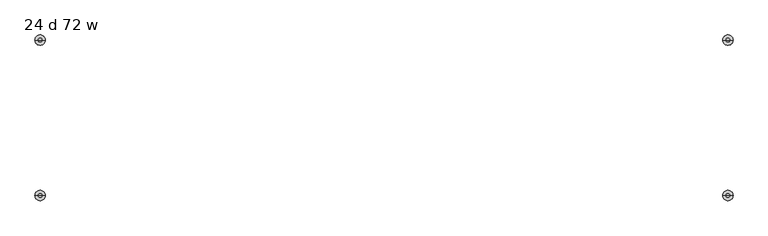
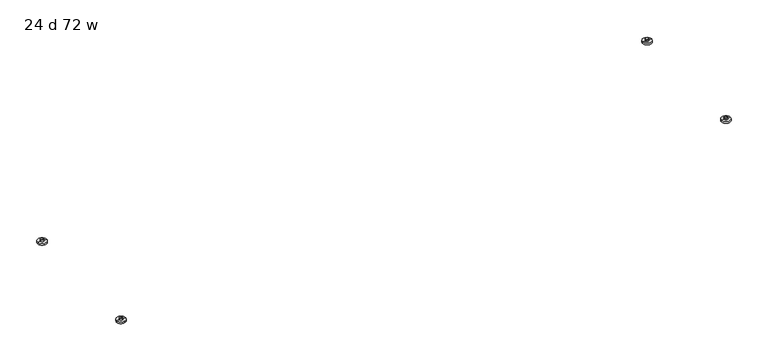
"""IFC4 building model written with IfcOpenShell, lengths in millimetres: furniture geometry, 24 d 72 w."""

from ifc_helpers import new_model, si_unit, point, frame, origin, place, context, project, spatial, circle_curve, ellipse_curve, trimmed, source, transform, mapped, element, save
from ifc_brep_helpers import plane_surface, cylinder_surface, revolved_surface, advanced_brep


def furniture_24_d_72_w_0afc2b9b(model_context):
    return source(origin(), model_context, "Body", "AdvancedBrep", [
        advanced_brep(
        [(-843.7322731, -191.2439953, 0.0), (-848.8112333, -191.2439953, 0.0), (-846.2717532, -191.2439953, 0.0), (-833.574498, -191.2439953, 3.6684262), (-858.9690084, -191.2439953, 3.6684262), (-833.574498, -191.2439953, 7.8731999), (-858.9690084, -191.2439953, 7.8731999), (-841.5120222, -191.2439953, 7.8731999), (-851.0314842, -191.2439953, 7.8731999), (-841.5120222, -191.2439953, 12.2237497), (-851.0314842, -191.2439953, 12.2237497), (-846.2717532, -191.2439953, 12.2237497)],
        [
            (0, 1, circle_curve(frame((-846.2717532, -191.2439953, 0.0), z_axis=(0.0, 0.0, -1.0), x_axis=(-1.0, 0.0, 0.0)), 2.5394801)),
            (1, 2),
            (2, 0),
            (1, 0, circle_curve(frame((-846.2717532, -191.2439953, 0.0), z_axis=(0.0, 0.0, -1.0), x_axis=(-1.0, 0.0, 0.0)), 2.5394801)),
            (0, 3, circle_curve(frame((-843.7322731, -191.2439953, 15.8975186), z_axis=(0.0, -1.0, 0.0), x_axis=(1.0, 0.0, 0.0)), 15.8975186)),
            (3, 4, circle_curve(frame((-846.2717532, -191.2439953, 3.6684262), z_axis=(0.0, 0.0, -1.0), x_axis=(-1.0, 0.0, 0.0)), 12.6972552)),
            (4, 1, circle_curve(frame((-848.8112333, -191.2439953, 15.8975186), z_axis=(0.0, -1.0, 0.0), x_axis=(-1.0, 0.0, 0.0)), 15.8975186)),
            (4, 3, circle_curve(frame((-846.2717532, -191.2439953, 3.6684262), z_axis=(0.0, 0.0, -1.0), x_axis=(-1.0, 0.0, 0.0)), 12.6972552)),
            (3, 5),
            (5, 6, circle_curve(frame((-846.2717532, -191.2439953, 7.8731999), z_axis=(0.0, 0.0, -1.0), x_axis=(-1.0, 0.0, 0.0)), 12.6972552)),
            (6, 4),
            (6, 5, circle_curve(frame((-846.2717532, -191.2439953, 7.8731999), z_axis=(0.0, 0.0, -1.0), x_axis=(-1.0, 0.0, 0.0)), 12.6972552)),
            (5, 7),
            (7, 8, circle_curve(frame((-846.2717532, -191.2439953, 7.8731999), z_axis=(0.0, 0.0, -1.0), x_axis=(-1.0, 0.0, 0.0)), 4.759731)),
            (8, 6),
            (8, 7, circle_curve(frame((-846.2717532, -191.2439953, 7.8731999), z_axis=(0.0, 0.0, -1.0), x_axis=(-1.0, 0.0, 0.0)), 4.759731)),
            (7, 9),
            (9, 10, circle_curve(frame((-846.2717532, -191.2439953, 12.2237497), z_axis=(0.0, 0.0, -1.0), x_axis=(-1.0, 0.0, 0.0)), 4.759731)),
            (10, 8),
            (10, 9, circle_curve(frame((-846.2717532, -191.2439953, 12.2237497), z_axis=(0.0, 0.0, -1.0), x_axis=(-1.0, 0.0, 0.0)), 4.759731)),
            (9, 11),
            (11, 10),
        ],
        [
            plane_surface(frame((-846.2717532, -191.2439953, 0.0), z_axis=(0.0, 0.0, -1.0), x_axis=(-1.0, 0.0, 0.0))),
            revolved_surface(trimmed(ellipse_curve(frame((-848.8112333, -191.2439953, 15.8975186), z_axis=(0.0, 1.0, 0.0), x_axis=(-1.0, 0.0, 0.0)), 15.8975186, 15.8975186), [point((-848.8112333, -191.2439953, 0.0))], [point((-858.9690084, -191.2439953, 3.6684262))], True, "CARTESIAN"), (-846.2717532, -191.2439953, 12.2237497), (0.0, 0.0, 1.0)),
            cylinder_surface(frame((-846.2717532, -191.2439953, 12.2237497), z_axis=(0.0, 0.0, 1.0), x_axis=(-1.0, 0.0, 0.0)), 12.6972552),
            plane_surface(frame((-846.2717532, -191.2439953, 7.8731999), z_axis=(0.0, 0.0, 1.0), x_axis=(-1.0, 0.0, 0.0))),
            cylinder_surface(frame((-846.2717532, -191.2439953, 12.2237497), z_axis=(0.0, 0.0, 1.0), x_axis=(-1.0, 0.0, 0.0)), 4.759731),
            plane_surface(frame((-846.2717532, -191.2439953, 12.2237497), z_axis=(0.0, 0.0, 1.0), x_axis=(-1.0, 0.0, 0.0))),
        ],
        [
            (0, [[1, 2, 3]]),
            (0, [[-2, 4, -3]]),
            (1, [[-1, 5, 6, 7]]),
            (1, [[-4, -7, 8, -5]]),
            (2, [[-6, 9, 10, 11]]),
            (2, [[-8, -11, 12, -9]]),
            (3, [[-10, 13, 14, 15]]),
            (3, [[-12, -15, 16, -13]]),
            (4, [[-14, 17, 18, 19]]),
            (4, [[-16, -19, 20, -17]]),
            (5, [[-18, 21, 22]]),
            (5, [[-20, -22, -21]]),
        ],
    ),
        advanced_brep(
        [(-846.2717532, 191.2439953, 0.0), (-848.8112333, 191.2439953, 0.0), (-843.7322731, 191.2439953, 0.0), (-858.9690084, 191.2439953, 3.6684262), (-833.574498, 191.2439953, 3.6684262), (-858.9690084, 191.2439953, 7.8731999), (-833.574498, 191.2439953, 7.8731999), (-851.0314842, 191.2439953, 7.8731999), (-841.5120222, 191.2439953, 7.8731999), (-851.0314842, 191.2439953, 12.2237497), (-841.5120222, 191.2439953, 12.2237497), (-846.2717532, 191.2439953, 12.2237497)],
        [
            (0, 1),
            (1, 2, circle_curve(frame((-846.2717532, 191.2439953, 0.0), z_axis=(0.0, 0.0, -1.0), x_axis=(-1.0, 0.0, 0.0)), 2.5394801)),
            (2, 0),
            (2, 1, circle_curve(frame((-846.2717532, 191.2439953, 0.0), z_axis=(0.0, 0.0, -1.0), x_axis=(-1.0, 0.0, 0.0)), 2.5394801)),
            (1, 3, circle_curve(frame((-848.8112333, 191.2439953, 15.8975186), z_axis=(0.0, 1.0, 0.0), x_axis=(-1.0, 0.0, 0.0)), 15.8975186)),
            (3, 4, circle_curve(frame((-846.2717532, 191.2439953, 3.6684262), z_axis=(0.0, 0.0, -1.0), x_axis=(-1.0, 0.0, 0.0)), 12.6972552)),
            (4, 2, circle_curve(frame((-843.7322731, 191.2439953, 15.8975186), z_axis=(0.0, 1.0, 0.0), x_axis=(1.0, 0.0, 0.0)), 15.8975186)),
            (4, 3, circle_curve(frame((-846.2717532, 191.2439953, 3.6684262), z_axis=(0.0, 0.0, -1.0), x_axis=(-1.0, 0.0, 0.0)), 12.6972552)),
            (3, 5),
            (5, 6, circle_curve(frame((-846.2717532, 191.2439953, 7.8731999), z_axis=(0.0, 0.0, -1.0), x_axis=(-1.0, 0.0, 0.0)), 12.6972552)),
            (6, 4),
            (6, 5, circle_curve(frame((-846.2717532, 191.2439953, 7.8731999), z_axis=(0.0, 0.0, -1.0), x_axis=(-1.0, 0.0, 0.0)), 12.6972552)),
            (5, 7),
            (7, 8, circle_curve(frame((-846.2717532, 191.2439953, 7.8731999), z_axis=(0.0, 0.0, -1.0), x_axis=(-1.0, 0.0, 0.0)), 4.759731)),
            (8, 6),
            (8, 7, circle_curve(frame((-846.2717532, 191.2439953, 7.8731999), z_axis=(0.0, 0.0, -1.0), x_axis=(-1.0, 0.0, 0.0)), 4.759731)),
            (7, 9),
            (9, 10, circle_curve(frame((-846.2717532, 191.2439953, 12.2237497), z_axis=(0.0, 0.0, -1.0), x_axis=(-1.0, 0.0, 0.0)), 4.759731)),
            (10, 8),
            (10, 9, circle_curve(frame((-846.2717532, 191.2439953, 12.2237497), z_axis=(0.0, 0.0, -1.0), x_axis=(-1.0, 0.0, 0.0)), 4.759731)),
            (9, 11),
            (11, 10),
        ],
        [
            plane_surface(frame((-846.2717532, 191.2439953, 0.0), z_axis=(0.0, 0.0, -1.0), x_axis=(-1.0, 0.0, 0.0))),
            revolved_surface(trimmed(ellipse_curve(frame((-848.8112333, 191.2439953, 15.8975186), z_axis=(0.0, -1.0, 0.0), x_axis=(-1.0, 0.0, 0.0)), 15.8975186, 15.8975186), [point((-858.9690084, 191.2439953, 3.6684262))], [point((-848.8112333, 191.2439953, 0.0))], True, "CARTESIAN"), (-846.2717532, 191.2439953, 12.2237497), (0.0, 0.0, -1.0)),
            cylinder_surface(frame((-846.2717532, 191.2439953, 12.2237497), z_axis=(0.0, 0.0, -1.0), x_axis=(-1.0, 0.0, 0.0)), 12.6972552),
            plane_surface(frame((-846.2717532, 191.2439953, 7.8731999), z_axis=(0.0, 0.0, 1.0), x_axis=(-1.0, 0.0, 0.0))),
            cylinder_surface(frame((-846.2717532, 191.2439953, 12.2237497), z_axis=(0.0, 0.0, -1.0), x_axis=(-1.0, 0.0, 0.0)), 4.759731),
            plane_surface(frame((-846.2717532, 191.2439953, 12.2237497), z_axis=(0.0, 0.0, 1.0), x_axis=(-1.0, 0.0, 0.0))),
        ],
        [
            (0, [[1, 2, 3]]),
            (0, [[-1, -3, 4]]),
            (1, [[-2, 5, 6, 7]]),
            (1, [[-4, -7, 8, -5]]),
            (2, [[-6, 9, 10, 11]]),
            (2, [[-8, -11, 12, -9]]),
            (3, [[-10, 13, 14, 15]]),
            (3, [[-12, -15, 16, -13]]),
            (4, [[-14, 17, 18, 19]]),
            (4, [[-16, -19, 20, -17]]),
            (5, [[-18, 21, 22]]),
            (5, [[-20, -22, -21]]),
        ],
    ),
        advanced_brep(
        [(846.2717532, -191.2439953, 0.0), (848.8112333, -191.2439953, 0.0), (843.7322731, -191.2439953, 0.0), (858.9690084, -191.2439953, 3.6684262), (833.574498, -191.2439953, 3.6684262), (858.9690084, -191.2439953, 7.8731999), (833.574498, -191.2439953, 7.8731999), (851.0314842, -191.2439953, 7.8731999), (841.5120222, -191.2439953, 7.8731999), (851.0314842, -191.2439953, 12.2237497), (841.5120222, -191.2439953, 12.2237497), (846.2717532, -191.2439953, 12.2237497)],
        [
            (0, 1),
            (1, 2, circle_curve(frame((846.2717532, -191.2439953, 0.0), z_axis=(0.0, 0.0, -1.0), x_axis=(1.0, 0.0, 0.0)), 2.5394801)),
            (2, 0),
            (2, 1, circle_curve(frame((846.2717532, -191.2439953, 0.0), z_axis=(0.0, 0.0, -1.0), x_axis=(1.0, 0.0, 0.0)), 2.5394801)),
            (1, 3, circle_curve(frame((848.8112333, -191.2439953, 15.8975186), z_axis=(0.0, -1.0, 0.0), x_axis=(-1.0, 0.0, 0.0)), 15.8975186)),
            (3, 4, circle_curve(frame((846.2717532, -191.2439953, 3.6684262), z_axis=(0.0, 0.0, -1.0), x_axis=(1.0, 0.0, 0.0)), 12.6972552)),
            (4, 2, circle_curve(frame((843.7322731, -191.2439953, 15.8975186), z_axis=(0.0, -1.0, 0.0), x_axis=(1.0, 0.0, 0.0)), 15.8975186)),
            (4, 3, circle_curve(frame((846.2717532, -191.2439953, 3.6684262), z_axis=(0.0, 0.0, -1.0), x_axis=(1.0, 0.0, 0.0)), 12.6972552)),
            (3, 5),
            (5, 6, circle_curve(frame((846.2717532, -191.2439953, 7.8731999), z_axis=(0.0, 0.0, -1.0), x_axis=(1.0, 0.0, 0.0)), 12.6972552)),
            (6, 4),
            (6, 5, circle_curve(frame((846.2717532, -191.2439953, 7.8731999), z_axis=(0.0, 0.0, -1.0), x_axis=(1.0, 0.0, 0.0)), 12.6972552)),
            (5, 7),
            (7, 8, circle_curve(frame((846.2717532, -191.2439953, 7.8731999), z_axis=(0.0, 0.0, -1.0), x_axis=(1.0, 0.0, 0.0)), 4.759731)),
            (8, 6),
            (8, 7, circle_curve(frame((846.2717532, -191.2439953, 7.8731999), z_axis=(0.0, 0.0, -1.0), x_axis=(1.0, 0.0, 0.0)), 4.759731)),
            (7, 9),
            (9, 10, circle_curve(frame((846.2717532, -191.2439953, 12.2237497), z_axis=(0.0, 0.0, -1.0), x_axis=(1.0, 0.0, 0.0)), 4.759731)),
            (10, 8),
            (10, 9, circle_curve(frame((846.2717532, -191.2439953, 12.2237497), z_axis=(0.0, 0.0, -1.0), x_axis=(1.0, 0.0, 0.0)), 4.759731)),
            (9, 11),
            (11, 10),
        ],
        [
            plane_surface(frame((846.2717532, -191.2439953, 0.0), z_axis=(0.0, 0.0, -1.0), x_axis=(1.0, 0.0, 0.0))),
            revolved_surface(trimmed(ellipse_curve(frame((848.8112333, -191.2439953, 15.8975186), z_axis=(0.0, 1.0, 0.0), x_axis=(-1.0, 0.0, 0.0)), 15.8975186, 15.8975186), [point((858.9690084, -191.2439953, 3.6684262))], [point((848.8112333, -191.2439953, 0.0))], True, "CARTESIAN"), (846.2717532, -191.2439953, 12.2237497), (0.0, 0.0, -1.0)),
            cylinder_surface(frame((846.2717532, -191.2439953, 12.2237497), z_axis=(0.0, 0.0, -1.0), x_axis=(1.0, 0.0, 0.0)), 12.6972552),
            plane_surface(frame((846.2717532, -191.2439953, 7.8731999), z_axis=(0.0, 0.0, 1.0), x_axis=(1.0, 0.0, 0.0))),
            cylinder_surface(frame((846.2717532, -191.2439953, 12.2237497), z_axis=(0.0, 0.0, -1.0), x_axis=(1.0, 0.0, 0.0)), 4.759731),
            plane_surface(frame((846.2717532, -191.2439953, 12.2237497), z_axis=(0.0, 0.0, 1.0), x_axis=(1.0, 0.0, 0.0))),
        ],
        [
            (0, [[1, 2, 3]]),
            (0, [[-1, -3, 4]]),
            (1, [[-2, 5, 6, 7]]),
            (1, [[-4, -7, 8, -5]]),
            (2, [[-6, 9, 10, 11]]),
            (2, [[-8, -11, 12, -9]]),
            (3, [[-10, 13, 14, 15]]),
            (3, [[-12, -15, 16, -13]]),
            (4, [[-14, 17, 18, 19]]),
            (4, [[-16, -19, 20, -17]]),
            (5, [[-18, 21, 22]]),
            (5, [[-20, -22, -21]]),
        ],
    ),
        advanced_brep(
        [(843.7322731, 191.2439953, 0.0), (848.8112333, 191.2439953, 0.0), (846.2717532, 191.2439953, 0.0), (833.574498, 191.2439953, 3.6684262), (858.9690084, 191.2439953, 3.6684262), (833.574498, 191.2439953, 7.8731999), (858.9690084, 191.2439953, 7.8731999), (841.5120222, 191.2439953, 7.8731999), (851.0314842, 191.2439953, 7.8731999), (841.5120222, 191.2439953, 12.2237497), (851.0314842, 191.2439953, 12.2237497), (846.2717532, 191.2439953, 12.2237497)],
        [
            (0, 1, circle_curve(frame((846.2717532, 191.2439953, 0.0), z_axis=(0.0, 0.0, -1.0), x_axis=(1.0, 0.0, 0.0)), 2.5394801)),
            (1, 2),
            (2, 0),
            (1, 0, circle_curve(frame((846.2717532, 191.2439953, 0.0), z_axis=(0.0, 0.0, -1.0), x_axis=(1.0, 0.0, 0.0)), 2.5394801)),
            (0, 3, circle_curve(frame((843.7322731, 191.2439953, 15.8975186), z_axis=(0.0, 1.0, 0.0), x_axis=(1.0, 0.0, 0.0)), 15.8975186)),
            (3, 4, circle_curve(frame((846.2717532, 191.2439953, 3.6684262), z_axis=(0.0, 0.0, -1.0), x_axis=(1.0, 0.0, 0.0)), 12.6972552)),
            (4, 1, circle_curve(frame((848.8112333, 191.2439953, 15.8975186), z_axis=(0.0, 1.0, 0.0), x_axis=(-1.0, 0.0, 0.0)), 15.8975186)),
            (4, 3, circle_curve(frame((846.2717532, 191.2439953, 3.6684262), z_axis=(0.0, 0.0, -1.0), x_axis=(1.0, 0.0, 0.0)), 12.6972552)),
            (3, 5),
            (5, 6, circle_curve(frame((846.2717532, 191.2439953, 7.8731999), z_axis=(0.0, 0.0, -1.0), x_axis=(1.0, 0.0, 0.0)), 12.6972552)),
            (6, 4),
            (6, 5, circle_curve(frame((846.2717532, 191.2439953, 7.8731999), z_axis=(0.0, 0.0, -1.0), x_axis=(1.0, 0.0, 0.0)), 12.6972552)),
            (5, 7),
            (7, 8, circle_curve(frame((846.2717532, 191.2439953, 7.8731999), z_axis=(0.0, 0.0, -1.0), x_axis=(1.0, 0.0, 0.0)), 4.759731)),
            (8, 6),
            (8, 7, circle_curve(frame((846.2717532, 191.2439953, 7.8731999), z_axis=(0.0, 0.0, -1.0), x_axis=(1.0, 0.0, 0.0)), 4.759731)),
            (7, 9),
            (9, 10, circle_curve(frame((846.2717532, 191.2439953, 12.2237497), z_axis=(0.0, 0.0, -1.0), x_axis=(1.0, 0.0, 0.0)), 4.759731)),
            (10, 8),
            (10, 9, circle_curve(frame((846.2717532, 191.2439953, 12.2237497), z_axis=(0.0, 0.0, -1.0), x_axis=(1.0, 0.0, 0.0)), 4.759731)),
            (9, 11),
            (11, 10),
        ],
        [
            plane_surface(frame((846.2717532, 191.2439953, 0.0), z_axis=(0.0, 0.0, -1.0), x_axis=(1.0, 0.0, 0.0))),
            revolved_surface(trimmed(ellipse_curve(frame((848.8112333, 191.2439953, 15.8975186), z_axis=(0.0, -1.0, 0.0), x_axis=(-1.0, 0.0, 0.0)), 15.8975186, 15.8975186), [point((848.8112333, 191.2439953, 0.0))], [point((858.9690084, 191.2439953, 3.6684262))], True, "CARTESIAN"), (846.2717532, 191.2439953, 12.2237497), (0.0, 0.0, 1.0)),
            cylinder_surface(frame((846.2717532, 191.2439953, 12.2237497), z_axis=(0.0, 0.0, 1.0), x_axis=(1.0, 0.0, 0.0)), 12.6972552),
            plane_surface(frame((846.2717532, 191.2439953, 7.8731999), z_axis=(0.0, 0.0, 1.0), x_axis=(1.0, 0.0, 0.0))),
            cylinder_surface(frame((846.2717532, 191.2439953, 12.2237497), z_axis=(0.0, 0.0, 1.0), x_axis=(1.0, 0.0, 0.0)), 4.759731),
            plane_surface(frame((846.2717532, 191.2439953, 12.2237497), z_axis=(0.0, 0.0, 1.0), x_axis=(1.0, 0.0, 0.0))),
        ],
        [
            (0, [[1, 2, 3]]),
            (0, [[-2, 4, -3]]),
            (1, [[-1, 5, 6, 7]]),
            (1, [[-4, -7, 8, -5]]),
            (2, [[-6, 9, 10, 11]]),
            (2, [[-8, -11, 12, -9]]),
            (3, [[-10, 13, 14, 15]]),
            (3, [[-12, -15, 16, -13]]),
            (4, [[-14, 17, 18, 19]]),
            (4, [[-16, -19, 20, -17]]),
            (5, [[-18, 21, 22]]),
            (5, [[-20, -22, -21]]),
        ],
    ),
    ])


if __name__ == "__main__":
    model = new_model("IFC4")
    model_context = context("Model", 3, world=origin())
    ifc_project = project(units=[si_unit("LENGTHUNIT", "METRE", prefix="MILLI")], contexts=[model_context])
    site = spatial("IfcSite", under=ifc_project)
    building = spatial("IfcBuilding", under=site)
    placement = place(None, origin())
    furniture_24_d_72_w_shape = furniture_24_d_72_w_0afc2b9b(model_context)
    element("IfcFurniture", 1, ObjectType="24 d 72 w", at=placement, inside=building, context=model_context, shape_type="MappedRepresentation", body=[
        mapped(furniture_24_d_72_w_shape, transform((0.0, 0.0, 0.0), x_axis=(1.0, 0.0, 0.0), y_axis=(0.0, 1.0, 0.0), z_axis=(0.0, 0.0, 1.0))),
    ])
    save(model, "model.ifc")
